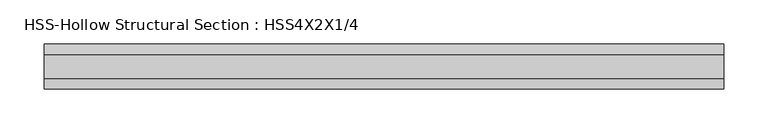
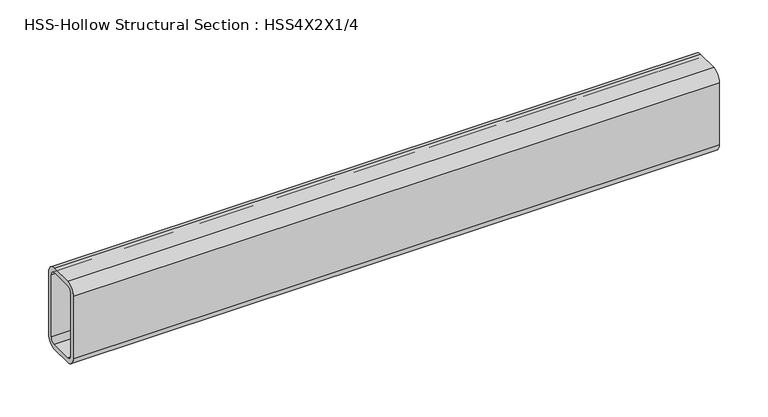
"""IFC4 building model written with IfcOpenShell, lengths in millimetres: beam geometry, HSS-Hollow Structural Section : HSS4X2X1/4."""

from ifc_helpers import new_model, si_unit, point, frame, frame_2d, origin, place, context, project, spatial, polyline, circle_curve, trimmed, segment, composite_curve, outline, extrude, source, transform, mapped, element, save


def hss_hollow_structural_section_hss4x2x1_4_6c9134e4(model_context):
    return source(origin(), model_context, "Body", "SweptSolid", [
        extrude(outline(composite_curve([segment(polyline([(25.4, 38.9636), (25.4, -38.9636)]), True, "CONTINUOUS"), segment(trimmed(circle_curve(frame_2d((13.5636, -38.9636)), 11.8364), [point((25.4, -38.9636))], [point((13.5636, -50.8))], False, "CARTESIAN"), True, "CONTINUOUS"), segment(polyline([(13.5636, -50.8), (-13.5636, -50.8)]), True, "CONTINUOUS"), segment(trimmed(circle_curve(frame_2d((-13.5636, -38.9636)), 11.8364), [point((-13.5636, -50.8))], [point((-25.4, -38.9636))], False, "CARTESIAN"), True, "CONTINUOUS"), segment(polyline([(-25.4, -38.9636), (-25.4, 38.9636)]), True, "CONTINUOUS"), segment(trimmed(circle_curve(frame_2d((-13.5636, 38.9636)), 11.8364), [point((-25.4, 38.9636))], [point((-13.5636, 50.8))], False, "CARTESIAN"), True, "CONTINUOUS"), segment(polyline([(-13.5636, 50.8), (13.5636, 50.8)]), True, "CONTINUOUS"), segment(trimmed(circle_curve(frame_2d((13.5636, 38.9636)), 11.8364), [point((13.5636, 50.8))], [point((25.4, 38.9636))], False, "CARTESIAN"), True, "CONTINUOUS")], self_intersect=False), holes=[composite_curve([segment(trimmed(circle_curve(frame_2d((-13.5636, 38.9636)), 5.9182), [point((-13.5636, 44.8818))], [point((-19.4818, 38.9636))], True, "CARTESIAN"), True, "CONTINUOUS"), segment(polyline([(-19.4818, 38.9636), (-19.4818, -38.9636)]), True, "CONTINUOUS"), segment(trimmed(circle_curve(frame_2d((-13.5636, -38.9636)), 5.9182), [point((-19.4818, -38.9636))], [point((-13.5636, -44.8818))], True, "CARTESIAN"), True, "CONTINUOUS"), segment(polyline([(-13.5636, -44.8818), (13.5636, -44.8818)]), True, "CONTINUOUS"), segment(trimmed(circle_curve(frame_2d((13.5636, -38.9636)), 5.9182), [point((13.5636, -44.8818))], [point((19.4818, -38.9636))], True, "CARTESIAN"), True, "CONTINUOUS"), segment(polyline([(19.4818, -38.9636), (19.4818, 38.9636)]), True, "CONTINUOUS"), segment(trimmed(circle_curve(frame_2d((13.5636, 38.9636)), 5.9182), [point((19.4818, 38.9636))], [point((13.5636, 44.8818))], True, "CARTESIAN"), True, "CONTINUOUS"), segment(polyline([(13.5636, 44.8818), (-13.5636, 44.8818)]), True, "CONTINUOUS")], self_intersect=False)]), frame((-395.9064357, 0.0, 0.0), z_axis=(1.0, 0.0, 0.0), x_axis=(0.0, 1.0, 0.0)), (0.0, 0.0, 1.0), 767.9871127),
    ])


if __name__ == "__main__":
    model = new_model("IFC4")
    model_context = context("Model", 3, world=origin())
    ifc_project = project(units=[si_unit("LENGTHUNIT", "METRE", prefix="MILLI")], contexts=[model_context])
    site = spatial("IfcSite", under=ifc_project)
    building = spatial("IfcBuilding", under=site)
    placement = place(None, origin())
    hss_hollow_structural_section_hss4x2x1_4_shape = hss_hollow_structural_section_hss4x2x1_4_6c9134e4(model_context)
    element("IfcBeam", 1, ObjectType="HSS-Hollow Structural Section : HSS4X2X1/4", at=placement, inside=building, context=model_context, shape_type="MappedRepresentation", body=[
        mapped(hss_hollow_structural_section_hss4x2x1_4_shape, transform((0.0, 0.0, 0.0), x_axis=(1.0, 0.0, 0.0), y_axis=(0.0, 1.0, 0.0), z_axis=(0.0, 0.0, 1.0))),
    ])
    save(model, "model.ifc")
